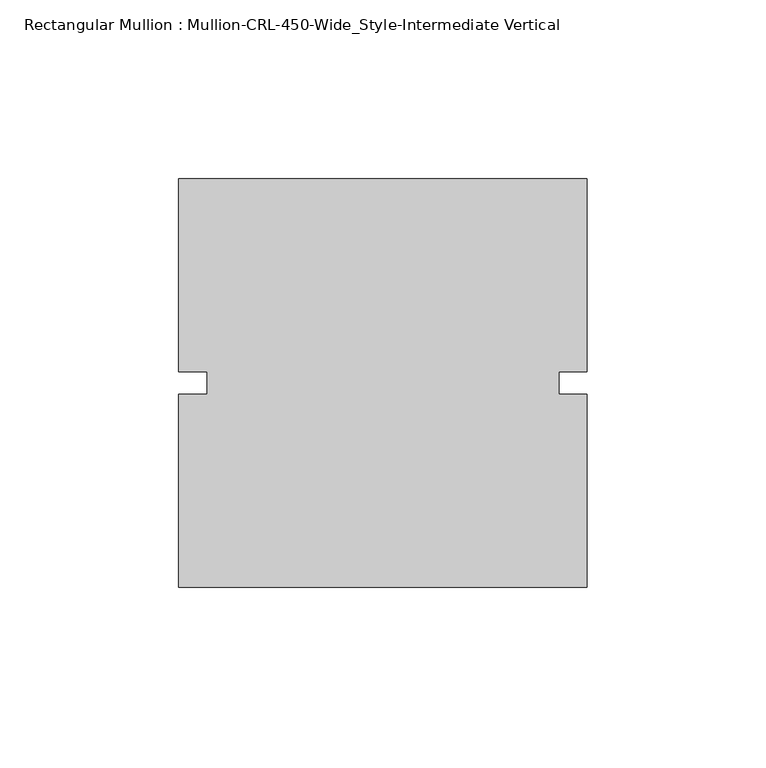
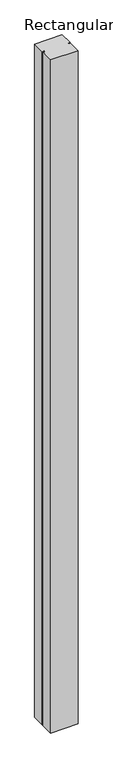
"""IFC4 building model written with IfcOpenShell, lengths in millimetres: member geometry, Rectangular Mullion : Mullion-CRL-450-Wide_Style-Intermediate Vertical."""

from ifc_helpers import new_model, si_unit, frame, origin, place, context, project, spatial, polyline, outline, extrude, source, transform, mapped, element, save


def rectangular_mullion_mullion_crl_450_wide_style_intermediate_8b4467ed(model_context):
    return source(origin(), model_context, "Body", "SweptSolid", [
        extrude(outline(polyline([(57.15, 57.15), (57.15, 3.175), (49.2125, 3.175), (49.2125, -3.175), (57.15, -3.175), (57.15, -57.15), (-57.15, -57.15), (-57.15, -3.175), (-49.2125, -3.175), (-49.2125, 3.175), (-57.15, 3.175), (-57.15, 57.15), (57.15, 57.15)])), frame((0.0, 0.0, -2950.36875), z_axis=(0.0, 0.0, 1.0), x_axis=(1.0, 0.0, 0.0)), (0.0, 0.0, 1.0), 2950.36875),
    ])


if __name__ == "__main__":
    model = new_model("IFC4")
    model_context = context("Model", 3, world=origin())
    ifc_project = project(units=[si_unit("LENGTHUNIT", "METRE", prefix="MILLI")], contexts=[model_context])
    site = spatial("IfcSite", under=ifc_project)
    building = spatial("IfcBuilding", under=site)
    placement = place(None, origin())
    rectangular_mullion_mullion_crl_450_wide_style_intermediate_shape = rectangular_mullion_mullion_crl_450_wide_style_intermediate_8b4467ed(model_context)
    element("IfcMember", 1, ObjectType="Rectangular Mullion : Mullion-CRL-450-Wide_Style-Intermediate Vertical", at=placement, inside=building, context=model_context, shape_type="MappedRepresentation", body=[
        mapped(rectangular_mullion_mullion_crl_450_wide_style_intermediate_shape, transform((0.0, 0.0, 0.0), x_axis=(1.0, 0.0, 0.0), y_axis=(0.0, 1.0, 0.0), z_axis=(0.0, 0.0, 1.0))),
    ])
    save(model, "model.ifc")
